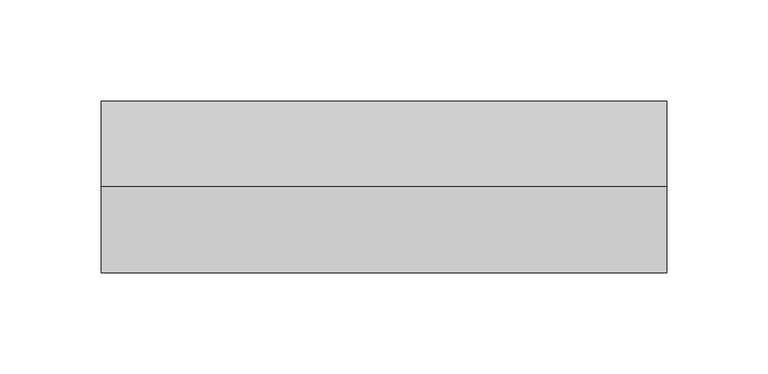
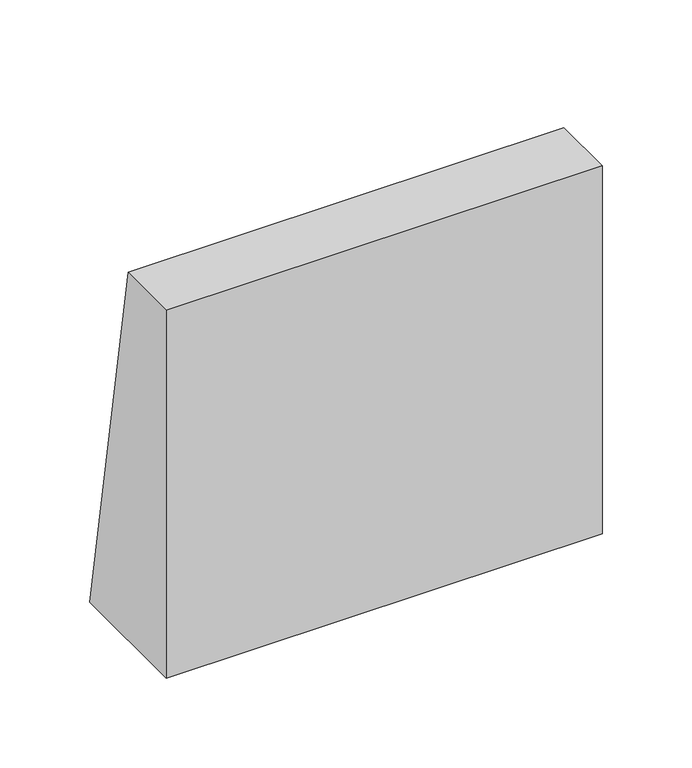
"""IFC4 building model written with IfcOpenShell, lengths in millimetres: light fixture geometry."""

from ifc_helpers import new_model, si_unit, frame, origin, place, context, project, spatial, polyline, outline, extrude, faceted_brep, source, transform, mapped, element, save


def light_fixture_86a89a6e(model_context):
    return source(origin(), model_context, "Body", "SolidModel", [
        faceted_brep([(-15.0, 0.0, 2050.0), (-15.0, 42.5, 2050.0), (-15.0, 85.0, 1800.0), (-15.0, 0.0, 1800.0), (265.0, 42.5, 2050.0), (265.0, 0.0, 2050.0), (265.0, 0.0, 1800.0), (265.0, 85.0, 1800.0), (-5.0, 75.0, 1800.0), (-5.0, 34.2, 2040.0), (-5.0, 10.0, 2040.0), (-5.0, 10.0, 1800.0), (255.0, 75.0, 1800.0), (255.0, 34.2, 2040.0), (255.0, 10.0, 1800.0), (255.0, 10.0, 2040.0)], [[[0, 1, 2, 3]], [[4, 5, 6, 7]], [[1, 4, 7, 2]], [[8, 9, 10, 11]], [[8, 12, 13, 9]], [[12, 14, 15, 13]], [[0, 3, 6, 5]], [[6, 3, 2, 7], [11, 14, 12, 8]], [[14, 11, 10, 15]], [[15, 10, 9, 13]], [[0, 5, 4, 1]]]),
        extrude(outline(polyline([(-5.0, 10.0), (-5.0, 75.0), (255.0, 75.0), (255.0, 10.0), (-5.0, 10.0)])), frame((0.0, 0.0, 1800.0), z_axis=(0.0, 0.0, 1.0), x_axis=(1.0, 0.0, 0.0)), (0.0, 0.0, 1.0), 5.0),
    ])


if __name__ == "__main__":
    model = new_model("IFC4")
    model_context = context("Model", 3, world=origin())
    ifc_project = project(units=[si_unit("LENGTHUNIT", "METRE", prefix="MILLI")], contexts=[model_context])
    site = spatial("IfcSite", under=ifc_project)
    building = spatial("IfcBuilding", under=site)
    placement = place(None, origin())
    light_fixture_shape = light_fixture_86a89a6e(model_context)
    element("IfcLightFixture", 1, at=placement, inside=building, context=model_context, shape_type="MappedRepresentation", body=[
        mapped(light_fixture_shape, transform((0.0, 0.0, 0.0), x_axis=(1.0, 0.0, 0.0), y_axis=(0.0, 1.0, 0.0), z_axis=(0.0, 0.0, 1.0))),
    ])
    save(model, "model.ifc")
